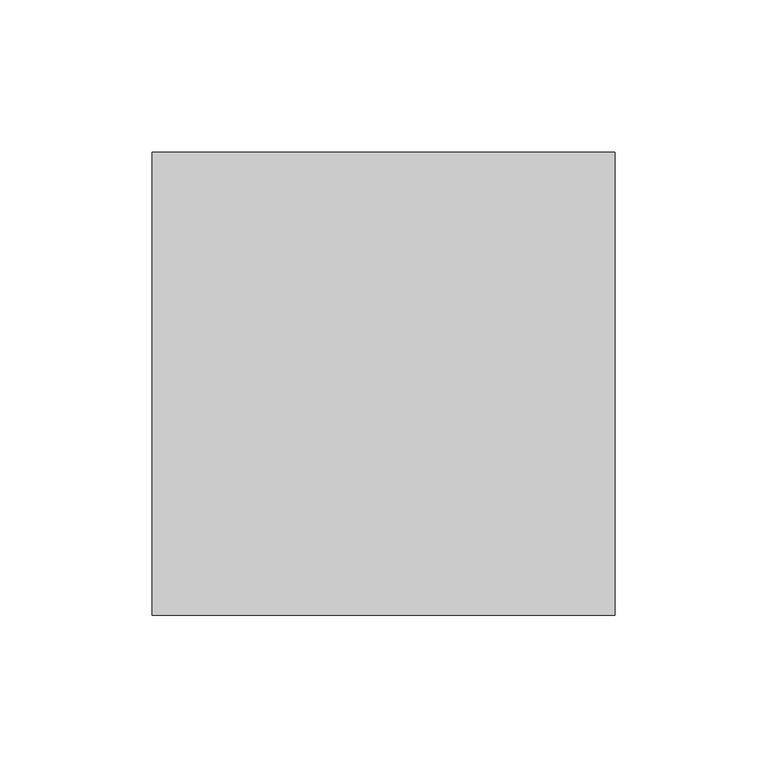
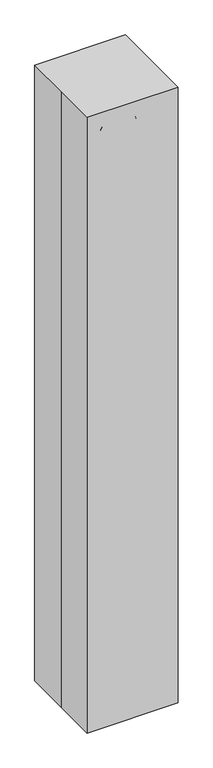
"""IFC4 building model written with IfcOpenShell, lengths in millimetres: proxy geometry."""

from ifc_helpers import new_model, si_unit, point, frame, origin, origin_with_axes, place, context, project, spatial, polyline, circle_curve, ellipse_curve, trimmed, outline, extrude, source, transform, mapped, element, save
from ifc_brep_helpers import plane_surface, cylinder_surface, revolved_surface, advanced_brep


def specialty_equipment_752d0510(model_context):
    return source(origin(), model_context, "Body", "SolidModel", [
        extrude(outline(polyline([(-12.7, -34.925), (-50.8, -34.925), (-50.8, -9.525), (-12.7, -9.525), (-12.7, -34.925)])), origin_with_axes(), (0.0, 0.0, 1.0), 101.6),
        advanced_brep(
        [(-25.4, -22.225, 101.6), (-38.1, -22.225, 101.6), (25.4, -22.225, 0.0), (38.1, -22.225, 0.0), (-25.4, -22.225, 1009.65), (-38.1, -22.225, 1009.65), (38.1, -22.225, 1009.65), (25.4, -22.225, 1009.65)],
        [
            (0, 1, circle_curve(frame((-31.75, -22.225, 101.6), z_axis=(0.0, 0.0, -1.0), x_axis=(-1.0, 0.0, 0.0)), 6.35)),
            (1, 0, circle_curve(frame((-31.75, -22.225, 101.6), z_axis=(0.0, 0.0, -1.0), x_axis=(-1.0, 0.0, 0.0)), 6.35)),
            (2, 3, circle_curve(frame((31.75, -22.225, 0.0), z_axis=(0.0, 0.0, -1.0), x_axis=(1.0, 0.0, 0.0)), 6.35)),
            (3, 2, circle_curve(frame((31.75, -22.225, 0.0), z_axis=(0.0, 0.0, -1.0), x_axis=(1.0, 0.0, 0.0)), 6.35)),
            (0, 4),
            (4, 5, circle_curve(frame((-31.75, -22.225, 1009.65), z_axis=(0.0, 0.0, -1.0), x_axis=(-1.0, 0.0, 0.0)), 6.35)),
            (5, 1),
            (5, 4, circle_curve(frame((-31.75, -22.225, 1009.65), z_axis=(0.0, 0.0, -1.0), x_axis=(-1.0, 0.0, 0.0)), 6.35)),
            (6, 7, circle_curve(frame((31.75, -22.225, 1009.65), z_axis=(0.0, 0.0, -1.0), x_axis=(1.0, 0.0, 0.0)), 6.35)),
            (7, 2),
            (3, 6),
            (7, 6, circle_curve(frame((31.75, -22.225, 1009.65), z_axis=(0.0, 0.0, -1.0), x_axis=(1.0, 0.0, 0.0)), 6.35)),
            (6, 5, circle_curve(frame((0.0, -22.225, 1009.65), z_axis=(0.0, -1.0, 0.0), x_axis=(-1.0, 0.0, 0.0)), 38.1)),
            (4, 7, circle_curve(frame((0.0, -22.225, 1009.65), z_axis=(0.0, 1.0, 0.0), x_axis=(-1.0, 0.0, 0.0)), 25.4)),
        ],
        [
            plane_surface(frame((-31.75, 41.275, 101.6), z_axis=(0.0, 0.0, -1.0), x_axis=(0.0, -1.0, 0.0))),
            plane_surface(frame((31.75, 41.275, 0.0), z_axis=(0.0, 0.0, -1.0), x_axis=(0.0, -1.0, 0.0))),
            cylinder_surface(frame((-31.75, -22.225, 101.6), z_axis=(0.0, 0.0, -1.0), x_axis=(-1.0, 0.0, 0.0)), 6.35),
            cylinder_surface(frame((31.75, -22.225, 1009.65), z_axis=(0.0, 0.0, 1.0), x_axis=(1.0, 0.0, 0.0)), 6.35),
            revolved_surface(trimmed(ellipse_curve(frame((-31.75, -22.225, 1009.65), z_axis=(0.0, 0.0, -1.0), x_axis=(-1.0, 0.0, 0.0)), 6.35, 6.35), [point((-25.4, -22.225, 1009.65))], [point((-38.1, -22.225, 1009.65))], True, "CARTESIAN"), (0.0, 41.275, 1009.65), (0.0, 1.0, 0.0)),
            revolved_surface(trimmed(ellipse_curve(frame((-31.75, -22.225, 1009.65), z_axis=(0.0, 0.0, -1.0), x_axis=(-1.0, 0.0, 0.0)), 6.35, 6.35), [point((-38.1, -22.225, 1009.65))], [point((-25.4, -22.225, 1009.65))], True, "CARTESIAN"), (0.0, 41.275, 1009.65), (0.0, 1.0, 0.0)),
        ],
        [
            (0, [[1, 2]]),
            (1, [[3, 4]]),
            (2, [[-1, 5, 6, 7]]),
            (2, [[-2, -7, 8, -5]]),
            (3, [[9, 10, -4, 11]]),
            (3, [[12, -11, -3, -10]]),
            (4, [[13, -6, 14, -9]]),
            (5, [[-14, -8, -13, -12]]),
        ],
    ),
        extrude(outline(polyline([(-76.2, 76.2), (76.2, 76.2), (76.2, -76.2), (-76.2, -76.2), (-76.2, 0.0), (-76.2, 76.2)])), origin_with_axes(), (0.0, 0.0, 1.0), 1092.2),
    ])


if __name__ == "__main__":
    model = new_model("IFC4")
    model_context = context("Model", 3, world=origin())
    ifc_project = project(units=[si_unit("LENGTHUNIT", "METRE", prefix="MILLI")], contexts=[model_context])
    site = spatial("IfcSite", under=ifc_project)
    building = spatial("IfcBuilding", under=site)
    placement = place(None, origin())
    specialty_equipment_shape = specialty_equipment_752d0510(model_context)
    element("IfcBuildingElementProxy", 1, Name="Specialty Equipment", at=placement, inside=building, context=model_context, shape_type="MappedRepresentation", body=[
        mapped(specialty_equipment_shape, transform((0.0, 0.0, 0.0), x_axis=(1.0, 0.0, 0.0), y_axis=(0.0, 1.0, 0.0), z_axis=(0.0, 0.0, 1.0))),
    ])
    save(model, "model.ifc")
